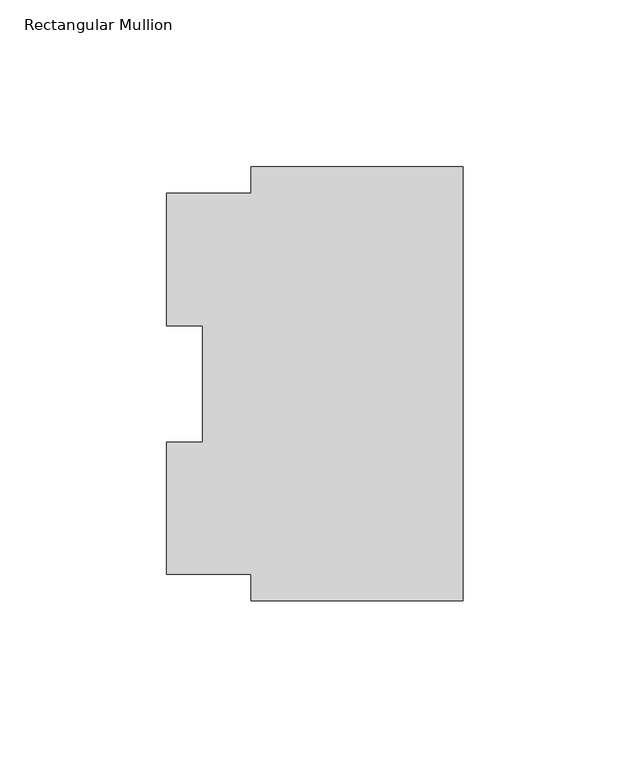
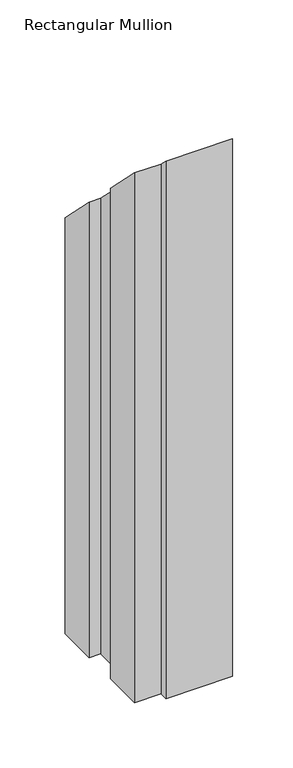
"""IFC4 building model written with IfcOpenShell, lengths in millimetres: member geometry, Rectangular Mullion."""

from ifc_helpers import new_model, si_unit, origin, place, context, project, spatial, faceted_brep, source, transform, mapped, element, save


def rectangular_mullion_d5fdcb9b(model_context):
    return source(origin(), model_context, "Body", "Brep", [
        faceted_brep([(0.0, 122.208925, -533.4), (0.0, -7.966075, -533.4), (-63.5, -7.966075, -533.4), (-63.5, -0.028575, -533.4), (-88.9, -0.028575, -533.4), (-88.9, 39.646225, -533.4), (-78.0415, 39.646225, -533.4), (-78.0415, 74.596625, -533.4), (-88.9, 74.596625, -533.4), (-88.9, 114.271425, -533.4), (-63.5, 114.271425, -533.4), (-63.5, 122.208925, -533.4), (-63.5, 122.208925, -122.208925), (0.0, 122.208925, -122.208925), (-63.5, 114.271425, -114.271425), (-88.9, 114.271425, -114.271425), (-88.9, 74.596625, -74.596625), (-78.0415, 74.596625, -74.596625), (-78.0415, 39.646225, -39.646225), (-88.9, 39.646225, -39.646225), (-88.9, -0.028575, 0.028575), (-63.5, -0.028575, 0.028575), (-63.5, -7.966075, 7.966075), (0.0, -7.966075, 7.966075)], [[[0, 1, 2, 3, 4, 5, 6, 7, 8, 9, 10, 11]], [[12, 13, 0, 11]], [[14, 12, 11, 10]], [[15, 14, 10, 9]], [[16, 15, 9, 8]], [[17, 16, 8, 7]], [[18, 17, 7, 6]], [[19, 18, 6, 5]], [[20, 19, 5, 4]], [[21, 20, 4, 3]], [[22, 21, 3, 2]], [[23, 22, 2, 1]], [[13, 23, 1, 0]], [[13, 12, 14, 15, 16, 17, 18, 19, 20, 21, 22, 23]]]),
    ])


if __name__ == "__main__":
    model = new_model("IFC4")
    model_context = context("Model", 3, world=origin())
    ifc_project = project(units=[si_unit("LENGTHUNIT", "METRE", prefix="MILLI")], contexts=[model_context])
    site = spatial("IfcSite", under=ifc_project)
    building = spatial("IfcBuilding", under=site)
    placement = place(None, origin())
    rectangular_mullion_shape = rectangular_mullion_d5fdcb9b(model_context)
    element("IfcMember", 1, ObjectType="Rectangular Mullion", at=placement, inside=building, context=model_context, shape_type="MappedRepresentation", body=[
        mapped(rectangular_mullion_shape, transform((0.0, 0.0, 0.0), x_axis=(1.0, 0.0, 0.0), y_axis=(0.0, 1.0, 0.0), z_axis=(0.0, 0.0, 1.0))),
    ])
    save(model, "model.ifc")
